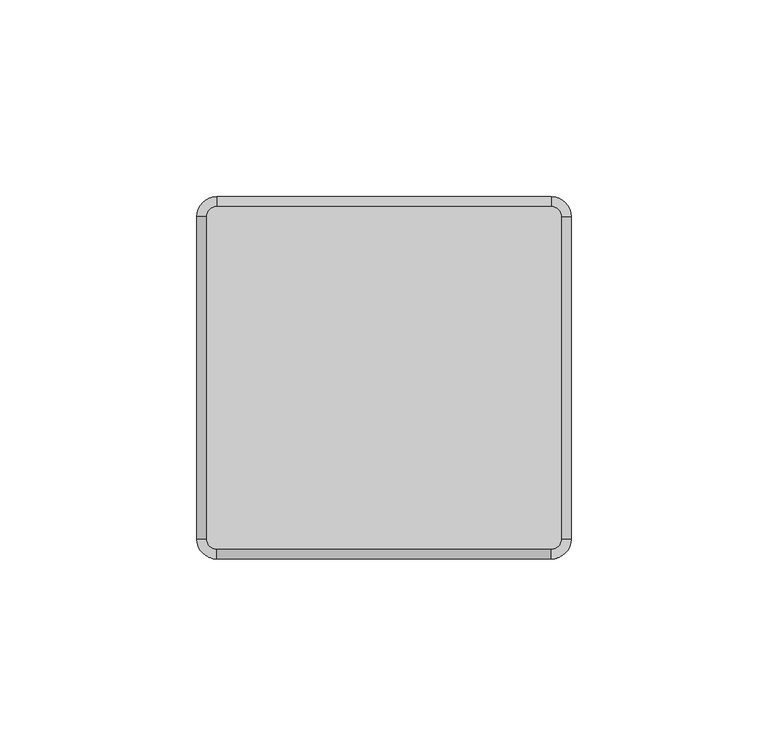
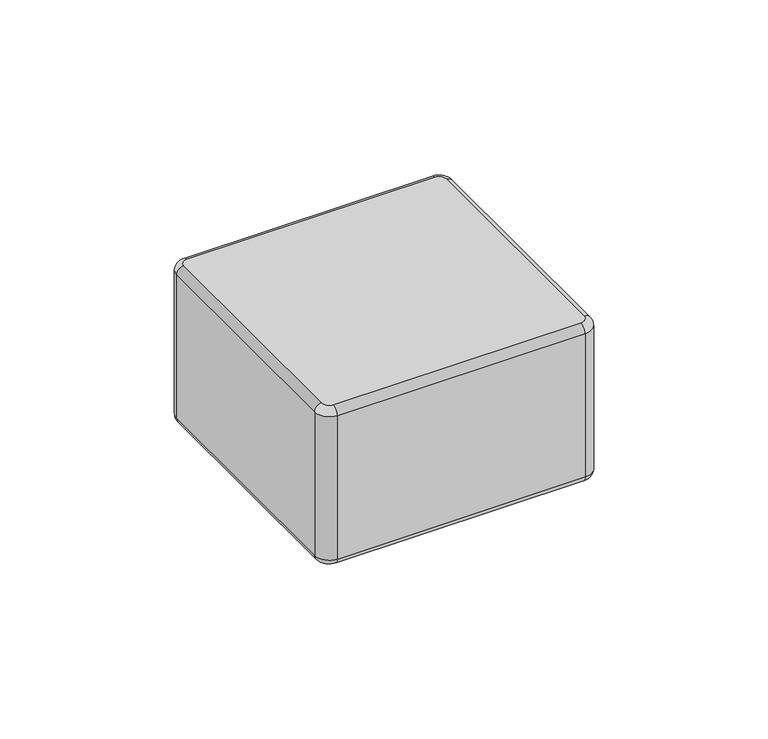
"""IFC4 building model written with IfcOpenShell, lengths in millimetres: plate geometry."""

from ifc_helpers import new_model, si_unit, point, frame, origin, place, context, project, spatial, circle_curve, ellipse_curve, trimmed, source, transform, mapped, element, save
from ifc_brep_helpers import plane_surface, cylinder_surface, revolved_surface, advanced_brep


def plate_8e637227(model_context):
    return source(origin(), model_context, "Body", "AdvancedBrep", [
        advanced_brep(
        [(44.8750002, -41.0, 57.0), (44.8750002, 41.0, 57.0), (42.3750002, 43.5, 57.0), (-42.6249998, 43.5, 57.0), (-45.1249998, 41.0, 57.0), (-45.1249998, -41.0, 57.0), (-42.6249998, -43.5, 57.0), (42.3750002, -43.5, 57.0), (-45.1249998, -41.0, 0.0), (-45.1249998, 41.0, 0.0), (-42.6249998, 43.5, 0.0), (42.3750002, 43.5, 0.0), (44.8750002, 41.0, 0.0), (44.8750002, -41.0, 0.0), (42.3750002, -43.5, 0.0), (-42.6249998, -43.5, 0.0), (-42.6249998, 46.0, 2.5), (-42.6249998, 46.0, 54.5000008), (42.3750002, 46.0, 54.5), (42.3750002, 46.0, 2.4999992), (47.3750002, 41.0, 2.5), (47.3750002, 41.0, 54.5000008), (47.3750002, -41.0, 54.5), (47.3750002, -41.0, 2.4999992), (42.3750002, -46.0, 2.5), (42.3750002, -46.0, 54.5000008), (-42.6249998, -46.0, 54.5), (-42.6249998, -46.0, 2.4999992), (-47.6249998, -41.0, 2.4999981), (-47.6249998, -41.0, 54.5000009), (-47.6249998, 41.0, 54.5), (-47.6249998, 41.0, 2.4999992)],
        [
            (0, 1),
            (1, 2, circle_curve(frame((42.3750002, 41.0, 57.0), z_axis=(0.0, 0.0, 1.0), x_axis=(0.0, 1.0, 0.0)), 2.5)),
            (2, 3),
            (3, 4, circle_curve(frame((-42.6249998, 41.0, 57.0), z_axis=(0.0, 0.0, 1.0), x_axis=(-1.0, 0.0, 0.0)), 2.5)),
            (4, 5),
            (5, 6, circle_curve(frame((-42.6249998, -41.0, 57.0), z_axis=(0.0, 0.0, 1.0), x_axis=(0.0, -1.0, 0.0)), 2.5)),
            (6, 7),
            (7, 0, circle_curve(frame((42.3750002, -41.0, 57.0), z_axis=(0.0, 0.0, 1.0), x_axis=(1.0, 0.0, 0.0)), 2.5)),
            (8, 9),
            (9, 10, circle_curve(frame((-42.6249998, 41.0, 0.0), z_axis=(0.0, 0.0, -1.0), x_axis=(0.0, 1.0, 0.0)), 2.5)),
            (10, 11),
            (11, 12, circle_curve(frame((42.3750002, 41.0, 0.0), z_axis=(0.0, 0.0, -1.0), x_axis=(1.0, 0.0, 0.0)), 2.5)),
            (12, 13),
            (13, 14, circle_curve(frame((42.3750002, -41.0, 0.0), z_axis=(0.0, 0.0, -1.0), x_axis=(0.0, -1.0, 0.0)), 2.5)),
            (14, 15),
            (15, 8, circle_curve(frame((-42.6249998, -41.0, 0.0), z_axis=(0.0, 0.0, -1.0), x_axis=(-1.0, 0.0, 0.0)), 2.5)),
            (16, 17),
            (17, 18),
            (18, 19),
            (19, 16),
            (20, 21),
            (21, 22),
            (22, 23),
            (23, 20),
            (24, 25),
            (25, 26),
            (26, 27),
            (27, 24),
            (28, 29),
            (29, 30),
            (30, 31),
            (31, 28),
            (30, 17, circle_curve(frame((-42.6249998, 41.0, 54.5), z_axis=(0.0, 0.0, -1.0), x_axis=(1.0, 0.0, 0.0)), 5.0)),
            (16, 31, circle_curve(frame((-42.6249998, 41.0, 2.5), z_axis=(0.0, 0.0, 1.0), x_axis=(1.0, 0.0, 0.0)), 5.0)),
            (18, 21, circle_curve(frame((42.3750002, 41.0, 54.5), z_axis=(0.0, 0.0, -1.0), x_axis=(1.0, 0.0, 0.0)), 5.0)),
            (20, 19, circle_curve(frame((42.3750002, 41.0, 2.5), z_axis=(0.0, 0.0, 1.0), x_axis=(1.0, 0.0, 0.0)), 5.0)),
            (22, 25, circle_curve(frame((42.3750002, -41.0, 54.5), z_axis=(0.0, 0.0, -1.0), x_axis=(1.0, 0.0, 0.0)), 5.0)),
            (24, 23, circle_curve(frame((42.3750002, -41.0, 2.5), z_axis=(0.0, 0.0, 1.0), x_axis=(1.0, 0.0, 0.0)), 5.0)),
            (26, 29, circle_curve(frame((-42.6249998, -41.0, 54.5), z_axis=(0.0, 0.0, -1.0), x_axis=(1.0, 0.0, 0.0)), 5.0)),
            (28, 27, circle_curve(frame((-42.6249998, -41.0, 2.5), z_axis=(0.0, 0.0, 1.0), x_axis=(1.0, 0.0, 0.0)), 5.0)),
            (28, 8, circle_curve(frame((-45.1249998, -41.0, 2.5), z_axis=(0.0, -1.0, 0.0), x_axis=(1.0, 0.0, 0.0)), 2.5)),
            (15, 27, circle_curve(frame((-42.6249998, -43.5, 2.5), z_axis=(-1.0, 0.0, 0.0), x_axis=(0.0, 1.0, 0.0)), 2.5)),
            (14, 24, circle_curve(frame((42.3750002, -43.5, 2.5), z_axis=(-1.0, 0.0, 0.0), x_axis=(0.0, 1.0, 0.0)), 2.5)),
            (13, 23, circle_curve(frame((44.8750002, -41.0, 2.5), z_axis=(0.0, -1.0, 0.0), x_axis=(-1.0, 0.0, 0.0)), 2.5)),
            (12, 20, circle_curve(frame((44.8750002, 41.0, 2.5), z_axis=(0.0, -1.0, 0.0), x_axis=(-1.0, 0.0, 0.0)), 2.5)),
            (11, 19, circle_curve(frame((42.3750002, 43.5, 2.5), z_axis=(1.0, 0.0, 0.0), x_axis=(0.0, -1.0, 0.0)), 2.5)),
            (10, 16, circle_curve(frame((-42.6249998, 43.5, 2.5), z_axis=(1.0, 0.0, 0.0), x_axis=(0.0, -1.0, 0.0)), 2.5)),
            (9, 31, circle_curve(frame((-45.1249998, 41.0, 2.5), z_axis=(0.0, 1.0, 0.0), x_axis=(1.0, 0.0, 0.0)), 2.5)),
            (22, 0, circle_curve(frame((44.8750002, -41.0, 54.5), z_axis=(0.0, -1.0, 0.0), x_axis=(-1.0, 0.0, 0.0)), 2.5)),
            (7, 25, circle_curve(frame((42.3750002, -43.5, 54.5), z_axis=(1.0, 0.0, 0.0), x_axis=(0.0, 1.0, 0.0)), 2.5)),
            (6, 26, circle_curve(frame((-42.6249998, -43.5, 54.5), z_axis=(1.0, 0.0, 0.0), x_axis=(0.0, 1.0, 0.0)), 2.5)),
            (5, 29, circle_curve(frame((-45.1249998, -41.0, 54.5), z_axis=(0.0, -1.0, 0.0), x_axis=(1.0, 0.0, 0.0)), 2.5)),
            (4, 30, circle_curve(frame((-45.1249998, 41.0, 54.5), z_axis=(0.0, -1.0, 0.0), x_axis=(1.0, 0.0, 0.0)), 2.5)),
            (3, 17, circle_curve(frame((-42.6249998, 43.5, 54.5), z_axis=(-1.0, 0.0, 0.0), x_axis=(0.0, -1.0, 0.0)), 2.5)),
            (2, 18, circle_curve(frame((42.3750002, 43.5, 54.5), z_axis=(-1.0, 0.0, 0.0), x_axis=(0.0, -1.0, 0.0)), 2.5)),
            (1, 21, circle_curve(frame((44.8750002, 41.0, 54.5), z_axis=(0.0, 1.0, 0.0), x_axis=(-1.0, 0.0, 0.0)), 2.5)),
        ],
        [
            plane_surface(frame((-37.6249998, 41.0, 57.0), z_axis=(0.0, 0.0, 1.0), x_axis=(0.0, -1.0, 0.0))),
            plane_surface(frame((-37.6249998, 41.0, 0.0), z_axis=(0.0, 0.0, -1.0), x_axis=(0.0, 1.0, 0.0))),
            plane_surface(frame((-42.6249998, 46.0, 57.0), z_axis=(0.0, 1.0, 0.0), x_axis=(0.0, 0.0, -1.0))),
            plane_surface(frame((47.3750002, 41.0, 57.0), z_axis=(1.0, 0.0, 0.0), x_axis=(0.0, 0.0, -1.0))),
            plane_surface(frame((42.3750002, -46.0, 57.0), z_axis=(0.0, -1.0, 0.0), x_axis=(0.0, 0.0, -1.0))),
            plane_surface(frame((-47.6249998, -41.0, 57.0), z_axis=(-1.0, 0.0, 0.0), x_axis=(0.0, 0.0, -1.0))),
            cylinder_surface(frame((-42.6249998, 41.0, 0.0), z_axis=(0.0, 0.0, 1.0), x_axis=(1.0, 0.0, 0.0)), 5.0),
            cylinder_surface(frame((42.3750002, 41.0, 0.0), z_axis=(0.0, 0.0, 1.0), x_axis=(1.0, 0.0, 0.0)), 5.0),
            cylinder_surface(frame((42.3750002, -41.0, 0.0), z_axis=(0.0, 0.0, 1.0), x_axis=(1.0, 0.0, 0.0)), 5.0),
            cylinder_surface(frame((-42.6249998, -41.0, 0.0), z_axis=(0.0, 0.0, 1.0), x_axis=(1.0, 0.0, 0.0)), 5.0),
            revolved_surface(trimmed(ellipse_curve(frame((-45.1249998, -41.0, 2.5), z_axis=(0.0, -1.0, 0.0), x_axis=(1.0, 0.0, 0.0)), 2.5, 2.5), [point((-47.6249998, -41.0, 2.5))], [point((-45.1249998, -41.0, 0.0))], True, "CARTESIAN"), (-42.6249998, -41.0, 0.0), (0.0, 0.0, -1.0)),
            cylinder_surface(frame((-42.6249998, -43.5, 2.5), z_axis=(1.0, 0.0, 0.0), x_axis=(0.0, 1.0, 0.0)), 2.5),
            revolved_surface(trimmed(ellipse_curve(frame((42.3750002, -43.5, 2.5), z_axis=(1.0, 0.0, 0.0), x_axis=(0.0, 1.0, 0.0)), 2.5, 2.5), [point((42.3750002, -46.0, 2.5))], [point((42.3750002, -43.5, 0.0))], True, "CARTESIAN"), (42.3750002, -41.0, 0.0), (0.0, 0.0, -1.0)),
            cylinder_surface(frame((44.8750002, -41.0, 2.5), z_axis=(0.0, 1.0, 0.0), x_axis=(-1.0, 0.0, 0.0)), 2.5),
            revolved_surface(trimmed(ellipse_curve(frame((44.8750002, 41.0, 2.5), z_axis=(0.0, 1.0, 0.0), x_axis=(-1.0, 0.0, 0.0)), 2.5, 2.5), [point((47.3750002, 41.0, 2.5))], [point((44.8750002, 41.0, 0.0))], True, "CARTESIAN"), (42.3750002, 41.0, 0.0), (0.0, 0.0, -1.0)),
            cylinder_surface(frame((42.3750002, 43.5, 2.5), z_axis=(-1.0, 0.0, 0.0), x_axis=(0.0, -1.0, 0.0)), 2.5),
            revolved_surface(trimmed(ellipse_curve(frame((-42.6249998, 43.5, 2.5), z_axis=(-1.0, 0.0, 0.0), x_axis=(0.0, -1.0, 0.0)), 2.5, 2.5), [point((-42.6249998, 46.0, 2.5))], [point((-42.6249998, 43.5, 0.0))], True, "CARTESIAN"), (-42.6249998, 41.0, 0.0), (0.0, 0.0, -1.0)),
            cylinder_surface(frame((-45.1249998, 41.0, 2.5), z_axis=(0.0, -1.0, 0.0), x_axis=(1.0, 0.0, 0.0)), 2.5),
            revolved_surface(trimmed(ellipse_curve(frame((44.8750002, -41.0, 54.5), z_axis=(0.0, -1.0, 0.0), x_axis=(-1.0, 0.0, 0.0)), 2.5, 2.5), [point((47.3750002, -41.0, 54.5))], [point((44.8750002, -41.0, 57.0))], True, "CARTESIAN"), (42.3750002, -41.0, 57.0), (0.0, 0.0, 1.0)),
            cylinder_surface(frame((42.3750002, -43.5, 54.5), z_axis=(-1.0, 0.0, 0.0), x_axis=(0.0, 1.0, 0.0)), 2.5),
            revolved_surface(trimmed(ellipse_curve(frame((-42.6249998, -43.5, 54.5), z_axis=(-1.0, 0.0, 0.0), x_axis=(0.0, 1.0, 0.0)), 2.5, 2.5), [point((-42.6249998, -46.0, 54.5))], [point((-42.6249998, -43.5, 57.0))], True, "CARTESIAN"), (-42.6249998, -41.0, 57.0), (0.0, 0.0, 1.0)),
            cylinder_surface(frame((-45.1249998, -41.0, 54.5), z_axis=(0.0, 1.0, 0.0), x_axis=(1.0, 0.0, 0.0)), 2.5),
            revolved_surface(trimmed(ellipse_curve(frame((-45.1249998, 41.0, 54.5), z_axis=(0.0, 1.0, 0.0), x_axis=(1.0, 0.0, 0.0)), 2.5, 2.5), [point((-47.6249998, 41.0, 54.5))], [point((-45.1249998, 41.0, 57.0))], True, "CARTESIAN"), (-42.6249998, 41.0, 57.0), (0.0, 0.0, 1.0)),
            cylinder_surface(frame((-42.6249998, 43.5, 54.5), z_axis=(1.0, 0.0, 0.0), x_axis=(0.0, -1.0, 0.0)), 2.5),
            revolved_surface(trimmed(ellipse_curve(frame((42.3750002, 43.5, 54.5), z_axis=(1.0, 0.0, 0.0), x_axis=(0.0, -1.0, 0.0)), 2.5, 2.5), [point((42.3750002, 46.0, 54.5))], [point((42.3750002, 43.5, 57.0))], True, "CARTESIAN"), (42.3750002, 41.0, 57.0), (0.0, 0.0, 1.0)),
            cylinder_surface(frame((44.8750002, 41.0, 54.5), z_axis=(0.0, -1.0, 0.0), x_axis=(-1.0, 0.0, 0.0)), 2.5),
        ],
        [
            (0, [[1, 2, 3, 4, 5, 6, 7, 8]]),
            (1, [[9, 10, 11, 12, 13, 14, 15, 16]]),
            (2, [[17, 18, 19, 20]]),
            (3, [[21, 22, 23, 24]]),
            (4, [[25, 26, 27, 28]]),
            (5, [[29, 30, 31, 32]]),
            (6, [[-31, 33, -17, 34]]),
            (7, [[-19, 35, -21, 36]]),
            (8, [[-23, 37, -25, 38]]),
            (9, [[-27, 39, -29, 40]]),
            (10, [[-40, 41, -16, 42]]),
            (11, [[-15, 43, -28, -42]]),
            (12, [[-14, 44, -38, -43]]),
            (13, [[-13, 45, -24, -44]]),
            (14, [[-12, 46, -36, -45]]),
            (15, [[-11, 47, -20, -46]]),
            (16, [[-10, 48, -34, -47]]),
            (17, [[-32, -48, -9, -41]]),
            (18, [[-37, 49, -8, 50]]),
            (19, [[-7, 51, -26, -50]]),
            (20, [[-6, 52, -39, -51]]),
            (21, [[-5, 53, -30, -52]]),
            (22, [[-4, 54, -33, -53]]),
            (23, [[-3, 55, -18, -54]]),
            (24, [[-2, 56, -35, -55]]),
            (25, [[-22, -56, -1, -49]]),
        ],
    ),
    ])


if __name__ == "__main__":
    model = new_model("IFC4")
    model_context = context("Model", 3, world=origin())
    ifc_project = project(units=[si_unit("LENGTHUNIT", "METRE", prefix="MILLI")], contexts=[model_context])
    site = spatial("IfcSite", under=ifc_project)
    building = spatial("IfcBuilding", under=site)
    placement = place(None, origin())
    plate_shape = plate_8e637227(model_context)
    element("IfcPlate", 1, at=placement, inside=building, context=model_context, shape_type="MappedRepresentation", body=[
        mapped(plate_shape, transform((0.0, 0.0, 0.0), x_axis=(1.0, 0.0, 0.0), y_axis=(0.0, 1.0, 0.0), z_axis=(0.0, 0.0, 1.0))),
    ])
    save(model, "model.ifc")
